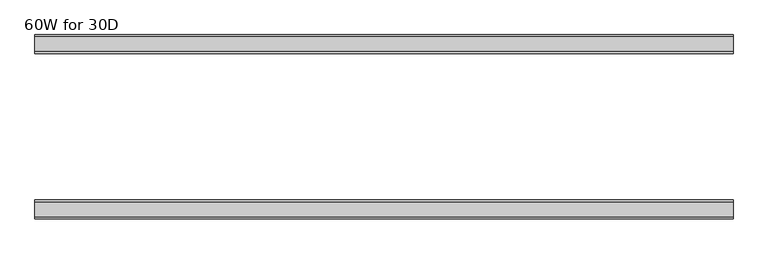
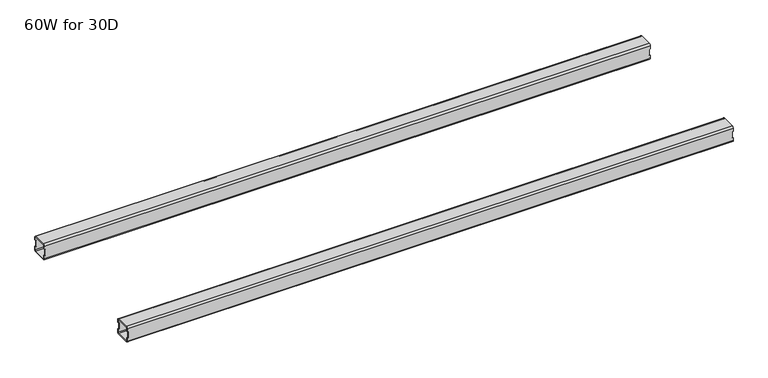
"""IFC4 building model written with IfcOpenShell, lengths in millimetres: furniture geometry, 60W for 30D."""

from ifc_helpers import new_model, si_unit, frame, origin, place, context, project, spatial, polyline, circle_curve, source, transform, mapped, element, save
from ifc_brep_helpers import plane_surface, cylinder_surface, revolved_surface, advanced_brep


def furniture_60w_for_30d_7aef5cbb(model_context):
    return source(origin(), model_context, "Body", "AdvancedBrep", [
        advanced_brep(
        [(1499.0028, -507.012, 653.351), (1499.0028, -509.012, 651.351), (1499.0028, -541.012, 651.351), (1499.0028, -543.012, 653.351), (1499.0028, -543.012, 660.851), (1499.0028, -545.012, 660.851), (1499.0028, -545.012, 653.351), (1499.0028, -541.012, 649.351), (1499.0028, -509.012, 649.351), (1499.0028, -505.012, 653.351), (1499.0028, -505.012, 660.851), (1499.0028, -507.012, 660.851), (1499.0028, -543.012, 684.975), (1499.0028, -541.012, 686.975), (1499.0028, -509.012, 686.975), (1499.0028, -507.012, 684.975), (1499.0028, -507.012, 677.475), (1499.0028, -505.012, 677.475), (1499.0028, -505.012, 684.975), (1499.0028, -509.012, 688.975), (1499.0028, -541.012, 688.975), (1499.0028, -545.012, 684.975), (1499.0028, -545.012, 677.475), (1499.0028, -543.012, 677.475), (22.0, -507.012, 684.975), (22.0, -509.012, 686.975), (22.0, -541.012, 686.975), (22.0, -543.012, 684.975), (22.0, -543.012, 677.475), (22.0, -545.012, 677.475), (22.0, -545.012, 684.975), (22.0, -541.012, 688.975), (22.0, -509.012, 688.975), (22.0, -505.012, 684.975), (22.0, -505.012, 677.475), (22.0, -507.012, 677.475), (22.0, -543.012, 653.351), (22.0, -541.012, 651.351), (22.0, -509.012, 651.351), (22.0, -507.012, 653.351), (22.0, -507.012, 660.851), (22.0, -505.012, 660.851), (22.0, -505.012, 653.351), (22.0, -509.012, 649.351), (22.0, -541.012, 649.351), (22.0, -545.012, 653.351), (22.0, -545.012, 660.851), (22.0, -543.012, 660.851), (23.365, -543.012, 660.851), (24.0, -543.012, 661.486), (24.0, -543.012, 676.84), (23.365, -543.012, 677.475), (1497.6378, -543.012, 677.475), (1497.0028, -543.012, 676.84), (1497.0028, -543.012, 661.486), (1497.6378, -543.012, 660.851), (1497.6378, -507.012, 660.851), (1497.0028, -507.012, 661.486), (1497.0028, -507.012, 676.84), (1497.6378, -507.012, 677.475), (23.365, -507.012, 677.475), (24.0, -507.012, 676.84), (24.0, -507.012, 661.486), (23.365, -507.012, 660.851), (23.365, -545.012, 677.475), (24.0, -545.012, 676.84), (24.0, -545.012, 661.486), (23.365, -545.012, 660.851), (1497.6378, -545.012, 660.851), (1497.0028, -545.012, 661.486), (1497.0028, -545.012, 676.84), (1497.6378, -545.012, 677.475), (1497.6378, -505.012, 677.475), (1497.0028, -505.012, 676.84), (1497.0028, -505.012, 661.486), (1497.6378, -505.012, 660.851), (23.365, -505.012, 660.851), (24.0, -505.012, 661.486), (24.0, -505.012, 676.84), (23.365, -505.012, 677.475)],
        [
            (0, 1, circle_curve(frame((1499.0028, -509.012, 653.351), z_axis=(-1.0, 0.0, 0.0), x_axis=(0.0, 1.0, 0.0)), 2.0)),
            (1, 2),
            (2, 3, circle_curve(frame((1499.0028, -541.012, 653.351), z_axis=(-1.0, 0.0, 0.0), x_axis=(0.0, 1.0, 0.0)), 2.0)),
            (3, 4),
            (4, 5),
            (5, 6),
            (6, 7, circle_curve(frame((1499.0028, -541.012, 653.351), z_axis=(1.0, 0.0, 0.0), x_axis=(0.0, 1.0, 0.0)), 4.0)),
            (7, 8),
            (8, 9, circle_curve(frame((1499.0028, -509.012, 653.351), z_axis=(1.0, 0.0, 0.0), x_axis=(0.0, 1.0, 0.0)), 4.0)),
            (9, 10),
            (10, 11),
            (11, 0),
            (12, 13, circle_curve(frame((1499.0028, -541.012, 684.975), z_axis=(-1.0, 0.0, 0.0), x_axis=(0.0, 1.0, 0.0)), 2.0)),
            (13, 14),
            (14, 15, circle_curve(frame((1499.0028, -509.012, 684.975), z_axis=(-1.0, 0.0, 0.0), x_axis=(0.0, 1.0, 0.0)), 2.0)),
            (15, 16),
            (16, 17),
            (17, 18),
            (18, 19, circle_curve(frame((1499.0028, -509.012, 684.975), z_axis=(1.0, 0.0, 0.0), x_axis=(0.0, 1.0, 0.0)), 4.0)),
            (19, 20),
            (20, 21, circle_curve(frame((1499.0028, -541.012, 684.975), z_axis=(1.0, 0.0, 0.0), x_axis=(0.0, 1.0, 0.0)), 4.0)),
            (21, 22),
            (22, 23),
            (23, 12),
            (24, 25, circle_curve(frame((22.0, -509.012, 684.975), z_axis=(1.0, 0.0, 0.0), x_axis=(0.0, 1.0, 0.0)), 2.0)),
            (25, 26),
            (26, 27, circle_curve(frame((22.0, -541.012, 684.975), z_axis=(1.0, 0.0, 0.0), x_axis=(0.0, 1.0, 0.0)), 2.0)),
            (27, 28),
            (28, 29),
            (29, 30),
            (30, 31, circle_curve(frame((22.0, -541.012, 684.975), z_axis=(-1.0, 0.0, 0.0), x_axis=(0.0, 1.0, 0.0)), 4.0)),
            (31, 32),
            (32, 33, circle_curve(frame((22.0, -509.012, 684.975), z_axis=(-1.0, 0.0, 0.0), x_axis=(0.0, 1.0, 0.0)), 4.0)),
            (33, 34),
            (34, 35),
            (35, 24),
            (36, 37, circle_curve(frame((22.0, -541.012, 653.351), z_axis=(1.0, 0.0, 0.0), x_axis=(0.0, 1.0, 0.0)), 2.0)),
            (37, 38),
            (38, 39, circle_curve(frame((22.0, -509.012, 653.351), z_axis=(1.0, 0.0, 0.0), x_axis=(0.0, 1.0, 0.0)), 2.0)),
            (39, 40),
            (40, 41),
            (41, 42),
            (42, 43, circle_curve(frame((22.0, -509.012, 653.351), z_axis=(-1.0, 0.0, 0.0), x_axis=(0.0, 1.0, 0.0)), 4.0)),
            (43, 44),
            (44, 45, circle_curve(frame((22.0, -541.012, 653.351), z_axis=(-1.0, 0.0, 0.0), x_axis=(0.0, 1.0, 0.0)), 4.0)),
            (45, 46),
            (46, 47),
            (47, 36),
            (0, 39),
            (38, 1),
            (37, 2),
            (36, 3),
            (47, 48),
            (48, 49, circle_curve(frame((23.365, -543.012, 661.486), z_axis=(0.0, -1.0, 0.0), x_axis=(1.0, 0.0, 0.0)), 0.635)),
            (49, 50),
            (50, 51, circle_curve(frame((23.365, -543.012, 676.84), z_axis=(0.0, -1.0, 0.0), x_axis=(1.0, 0.0, 0.0)), 0.635)),
            (51, 28),
            (27, 12),
            (23, 52),
            (52, 53, circle_curve(frame((1497.6378, -543.012, 676.84), z_axis=(0.0, -1.0, 0.0), x_axis=(1.0, 0.0, 0.0)), 0.635)),
            (53, 54),
            (54, 55, circle_curve(frame((1497.6378, -543.012, 661.486), z_axis=(0.0, -1.0, 0.0), x_axis=(1.0, 0.0, 0.0)), 0.635)),
            (55, 4),
            (26, 13),
            (25, 14),
            (24, 15),
            (11, 56),
            (56, 57, circle_curve(frame((1497.6378, -507.012, 661.486), z_axis=(0.0, 1.0, 0.0), x_axis=(1.0, 0.0, 0.0)), 0.635)),
            (57, 58),
            (58, 59, circle_curve(frame((1497.6378, -507.012, 676.84), z_axis=(0.0, 1.0, 0.0), x_axis=(1.0, 0.0, 0.0)), 0.635)),
            (59, 16),
            (35, 60),
            (60, 61, circle_curve(frame((23.365, -507.012, 676.84), z_axis=(0.0, 1.0, 0.0), x_axis=(1.0, 0.0, 0.0)), 0.635)),
            (61, 62),
            (62, 63, circle_curve(frame((23.365, -507.012, 661.486), z_axis=(0.0, 1.0, 0.0), x_axis=(1.0, 0.0, 0.0)), 0.635)),
            (63, 40),
            (18, 33),
            (32, 19),
            (31, 20),
            (30, 21),
            (29, 64),
            (64, 65, circle_curve(frame((23.365, -545.012, 676.84), z_axis=(0.0, 1.0, 0.0), x_axis=(1.0, 0.0, 0.0)), 0.635)),
            (65, 66),
            (66, 67, circle_curve(frame((23.365, -545.012, 661.486), z_axis=(0.0, 1.0, 0.0), x_axis=(1.0, 0.0, 0.0)), 0.635)),
            (67, 46),
            (45, 6),
            (5, 68),
            (68, 69, circle_curve(frame((1497.6378, -545.012, 661.486), z_axis=(0.0, 1.0, 0.0), x_axis=(1.0, 0.0, 0.0)), 0.635)),
            (69, 70),
            (70, 71, circle_curve(frame((1497.6378, -545.012, 676.84), z_axis=(0.0, 1.0, 0.0), x_axis=(1.0, 0.0, 0.0)), 0.635)),
            (71, 22),
            (44, 7),
            (43, 8),
            (42, 9),
            (17, 72),
            (72, 73, circle_curve(frame((1497.6378, -505.012, 676.84), z_axis=(0.0, -1.0, 0.0), x_axis=(1.0, 0.0, 0.0)), 0.635)),
            (73, 74),
            (74, 75, circle_curve(frame((1497.6378, -505.012, 661.486), z_axis=(0.0, -1.0, 0.0), x_axis=(1.0, 0.0, 0.0)), 0.635)),
            (75, 10),
            (41, 76),
            (76, 77, circle_curve(frame((23.365, -505.012, 661.486), z_axis=(0.0, -1.0, 0.0), x_axis=(1.0, 0.0, 0.0)), 0.635)),
            (77, 78),
            (78, 79, circle_curve(frame((23.365, -505.012, 676.84), z_axis=(0.0, -1.0, 0.0), x_axis=(1.0, 0.0, 0.0)), 0.635)),
            (79, 34),
            (71, 52),
            (59, 72),
            (70, 53),
            (58, 73),
            (69, 54),
            (57, 74),
            (68, 55),
            (56, 75),
            (51, 64),
            (79, 60),
            (67, 48),
            (63, 76),
            (66, 49),
            (62, 77),
            (65, 50),
            (61, 78),
        ],
        [
            plane_surface(frame((1499.0028, -507.012, 653.351), z_axis=(1.0, 0.0, 0.0), x_axis=(0.0, 0.0, -1.0))),
            plane_surface(frame((22.0, -507.012, 653.351), z_axis=(-1.0, 0.0, 0.0), x_axis=(0.0, 0.0, 1.0))),
            revolved_surface(polyline([(22.0, -507.012, 653.351), (1499.0028, -507.012, 653.351)]), (22.0, -509.012, 653.351), (-1.0, 0.0, 0.0)),
            plane_surface(frame((1499.0028, -509.012, 651.351), z_axis=(0.0, -5.198608210600595e-12, 1.0), x_axis=(-1.0, 0.0, 0.0))),
            revolved_surface(polyline([(22.0, -539.012, 653.351), (1499.0028, -539.012, 653.351)]), (22.0, -541.012, 653.351), (-1.0, 0.0, 0.0)),
            plane_surface(frame((1499.0028, -543.012, 653.351), z_axis=(0.0, 1.0, 0.0), x_axis=(-1.0, 0.0, 0.0))),
            revolved_surface(polyline([(22.0, -539.012, 684.975), (1499.0028, -539.012, 684.975)]), (22.0, -541.012, 684.975), (-1.0, 0.0, 0.0)),
            plane_surface(frame((1499.0028, -541.012, 686.975), z_axis=(0.0, 0.0, -1.0), x_axis=(-1.0, 0.0, 0.0))),
            revolved_surface(polyline([(22.0, -507.012, 684.975), (1499.0028, -507.012, 684.975)]), (22.0, -509.012, 684.975), (-1.0, 0.0, 0.0)),
            plane_surface(frame((1499.0028, -507.012, 684.975), z_axis=(0.0, -1.0, 0.0), x_axis=(-1.0, 0.0, 0.0))),
            cylinder_surface(frame((0.0, -509.012, 684.975), z_axis=(1.0, 0.0, 0.0), x_axis=(0.0, 1.0, 0.0)), 4.0),
            plane_surface(frame((1499.0028, -509.012, 688.975), z_axis=(0.0, 0.0, 1.0), x_axis=(-1.0, 0.0, 0.0))),
            cylinder_surface(frame((0.0, -541.012, 684.975), z_axis=(1.0, 0.0, 0.0), x_axis=(0.0, 1.0, 0.0)), 4.0),
            plane_surface(frame((1499.0028, -545.012, 684.975), z_axis=(0.0, -1.0, 0.0), x_axis=(-1.0, 0.0, 0.0))),
            cylinder_surface(frame((0.0, -541.012, 653.351), z_axis=(1.0, 0.0, 0.0), x_axis=(0.0, 1.0, 0.0)), 4.0),
            plane_surface(frame((1499.0028, -541.012, 649.351), z_axis=(0.0, 0.0, -1.0), x_axis=(-1.0, 0.0, 0.0))),
            cylinder_surface(frame((0.0, -509.012, 653.351), z_axis=(1.0, 0.0, 0.0), x_axis=(0.0, 1.0, 0.0)), 4.0),
            plane_surface(frame((1499.0028, -505.012, 653.351), z_axis=(0.0, 1.0, -5.2518576384018155e-12), x_axis=(-1.0, 0.0, 0.0))),
            plane_surface(frame((1499.0028, -545.012, 677.475), z_axis=(1.130465684452016e-11, 0.0, -1.0), x_axis=(0.0, 1.0, 0.0))),
            revolved_surface(polyline([(1498.2728, -545.012, 676.84), (1498.2728, -543.012, 676.84)]), (1497.6378, -505.012, 676.84), (0.0, -1.0, 0.0)),
            revolved_surface(polyline([(1498.2728, -507.012, 676.84), (1498.2728, -505.012, 676.84)]), (1497.6378, -505.012, 676.84), (0.0, -1.0, 0.0)),
            plane_surface(frame((1497.0028, -545.012, 676.84), z_axis=(1.0, 0.0, 0.0), x_axis=(0.0, 1.0, 0.0))),
            revolved_surface(polyline([(1498.2728, -545.012, 661.486), (1498.2728, -543.012, 661.486)]), (1497.6378, -505.012, 661.486), (0.0, -1.0, 0.0)),
            revolved_surface(polyline([(1498.2728, -507.012, 661.486), (1498.2728, -505.012, 661.486)]), (1497.6378, -505.012, 661.486), (0.0, -1.0, 0.0)),
            plane_surface(frame((1497.6378, -545.012, 660.851), z_axis=(0.0, 0.0, 1.0), x_axis=(0.0, 1.0, 0.0))),
            plane_surface(frame((23.365, -545.012, 677.475), z_axis=(0.0, 0.0, -1.0), x_axis=(0.0, 1.0, 0.0))),
            plane_surface(frame((22.0, -545.012, 660.851), z_axis=(-1.1502984157403295e-11, 0.0, 1.0), x_axis=(0.0, 1.0, 0.0))),
            revolved_surface(polyline([(24.0, -545.012, 661.486), (24.0, -543.012, 661.486)]), (23.365, -505.012, 661.486), (0.0, -1.0, 0.0)),
            revolved_surface(polyline([(24.0, -507.012, 661.486), (24.0, -505.012, 661.486)]), (23.365, -505.012, 661.486), (0.0, -1.0, 0.0)),
            plane_surface(frame((24.0, -545.012, 661.486), z_axis=(-1.0, 0.0, 0.0), x_axis=(0.0, 1.0, 0.0))),
            revolved_surface(polyline([(24.0, -545.012, 676.84), (24.0, -543.012, 676.84)]), (23.365, -505.012, 676.84), (0.0, -1.0, 0.0)),
            revolved_surface(polyline([(24.0, -507.012, 676.84), (24.0, -505.012, 676.84)]), (23.365, -505.012, 676.84), (0.0, -1.0, 0.0)),
        ],
        [
            (0, [[1, 2, 3, 4, 5, 6, 7, 8, 9, 10, 11, 12]]),
            (0, [[13, 14, 15, 16, 17, 18, 19, 20, 21, 22, 23, 24]]),
            (1, [[25, 26, 27, 28, 29, 30, 31, 32, 33, 34, 35, 36]]),
            (1, [[37, 38, 39, 40, 41, 42, 43, 44, 45, 46, 47, 48]]),
            (2, [[-1, 49, -39, 50]]),
            (3, [[-2, -50, -38, 51]]),
            (4, [[-3, -51, -37, 52]]),
            (5, [[-52, -48, 53, 54, 55, 56, 57, -28, 58, -24, 59, 60, 61, 62, 63, -4]]),
            (6, [[-13, -58, -27, 64]]),
            (7, [[-14, -64, -26, 65]]),
            (8, [[-15, -65, -25, 66]]),
            (9, [[-49, -12, 67, 68, 69, 70, 71, -16, -66, -36, 72, 73, 74, 75, 76, -40]]),
            (10, [[-19, 77, -33, 78]]),
            (11, [[-20, -78, -32, 79]]),
            (12, [[-21, -79, -31, 80]]),
            (13, [[-80, -30, 81, 82, 83, 84, 85, -46, 86, -6, 87, 88, 89, 90, 91, -22]]),
            (14, [[-7, -86, -45, 92]]),
            (15, [[-8, -92, -44, 93]]),
            (16, [[-9, -93, -43, 94]]),
            (17, [[-77, -18, 95, 96, 97, 98, 99, -10, -94, -42, 100, 101, 102, 103, 104, -34]]),
            (18, [[105, -59, -23, -91]]),
            (18, [[106, -95, -17, -71]]),
            (19, [[-105, -90, 107, -60]]),
            (20, [[-106, -70, 108, -96]]),
            (21, [[-107, -89, 109, -61]]),
            (21, [[-108, -69, 110, -97]]),
            (22, [[-109, -88, 111, -62]]),
            (23, [[-110, -68, 112, -98]]),
            (24, [[-111, -87, -5, -63]]),
            (24, [[-112, -67, -11, -99]]),
            (25, [[113, -81, -29, -57]]),
            (25, [[114, -72, -35, -104]]),
            (26, [[115, -53, -47, -85]]),
            (26, [[116, -100, -41, -76]]),
            (27, [[-115, -84, 117, -54]]),
            (28, [[-116, -75, 118, -101]]),
            (29, [[-117, -83, 119, -55]]),
            (29, [[-118, -74, 120, -102]]),
            (30, [[-113, -56, -119, -82]]),
            (31, [[-114, -103, -120, -73]]),
        ],
    ),
        advanced_brep(
        [(1499.0028, -192.9996202, 684.975), (1499.0028, -190.9996202, 686.975), (1499.0028, -159.0003798, 686.975), (1499.0028, -157.0003798, 684.975), (1499.0028, -157.0003798, 677.475), (1499.0028, -155.0003798, 677.475), (1499.0028, -155.0003798, 684.975), (1499.0028, -159.0003798, 688.975), (1499.0028, -190.9996202, 688.975), (1499.0028, -194.9996202, 684.975), (1499.0028, -194.9996202, 677.475), (1499.0028, -192.9996202, 677.475), (1499.0028, -157.0003798, 653.351), (1499.0028, -159.0003798, 651.351), (1499.0028, -190.9996202, 651.351), (1499.0028, -192.9996202, 653.351), (1499.0028, -192.9996202, 660.851), (1499.0028, -194.9996202, 660.851), (1499.0028, -194.9996202, 653.351), (1499.0028, -190.9996202, 649.351), (1499.0028, -159.0003798, 649.351), (1499.0028, -155.0003798, 653.351), (1499.0028, -155.0003798, 660.851), (1499.0028, -157.0003798, 660.851), (22.0, -192.9996202, 653.351), (22.0, -190.9996202, 651.351), (22.0, -159.0003798, 651.351), (22.0, -157.0003798, 653.351), (22.0, -157.0003798, 660.851), (22.0, -155.0003798, 660.851), (22.0, -155.0003798, 653.351), (22.0, -159.0003798, 649.351), (22.0, -190.9996202, 649.351), (22.0, -194.9996202, 653.351), (22.0, -194.9996202, 660.851), (22.0, -192.9996202, 660.851), (22.0, -157.0003798, 684.975), (22.0, -159.0003798, 686.975), (22.0, -190.9996202, 686.975), (22.0, -192.9996202, 684.975), (22.0, -192.9996202, 677.475), (22.0, -194.9996202, 677.475), (22.0, -194.9996202, 684.975), (22.0, -190.9996202, 688.975), (22.0, -159.0003798, 688.975), (22.0, -155.0003798, 684.975), (22.0, -155.0003798, 677.475), (22.0, -157.0003798, 677.475), (1497.6378, -157.0003798, 660.851), (1497.0028, -157.0003798, 661.486), (1497.0028, -157.0003798, 676.84), (1497.6378, -157.0003798, 677.475), (23.365, -157.0003798, 677.475), (24.0, -157.0003798, 676.84), (24.0, -157.0003798, 661.486), (23.365, -157.0003798, 660.851), (23.365, -192.9996202, 660.851), (24.0, -192.9996202, 661.486), (24.0, -192.9996202, 676.84), (23.365, -192.9996202, 677.475), (1497.6378, -192.9996202, 677.475), (1497.0028, -192.9996202, 676.84), (1497.0028, -192.9996202, 661.486), (1497.6378, -192.9996202, 660.851), (1497.6378, -155.0003798, 677.475), (1497.0028, -155.0003798, 676.84), (1497.0028, -155.0003798, 661.486), (1497.6378, -155.0003798, 660.851), (23.365, -155.0003798, 660.851), (24.0, -155.0003798, 661.486), (24.0, -155.0003798, 676.84), (23.365, -155.0003798, 677.475), (23.365, -194.9996202, 677.475), (24.0, -194.9996202, 676.84), (24.0, -194.9996202, 661.486), (23.365, -194.9996202, 660.851), (1497.6378, -194.9996202, 660.851), (1497.0028, -194.9996202, 661.486), (1497.0028, -194.9996202, 676.84), (1497.6378, -194.9996202, 677.475)],
        [
            (0, 1, circle_curve(frame((1499.0028, -190.9996202, 684.975), z_axis=(-1.0, 0.0, 0.0), x_axis=(0.0, -1.0, 0.0)), 2.0)),
            (1, 2),
            (2, 3, circle_curve(frame((1499.0028, -159.0003798, 684.975), z_axis=(-1.0, 0.0, 0.0), x_axis=(0.0, -1.0, 0.0)), 2.0)),
            (3, 4),
            (4, 5),
            (5, 6),
            (6, 7, circle_curve(frame((1499.0028, -159.0003798, 684.975), z_axis=(1.0, 0.0, 0.0), x_axis=(0.0, -1.0, 0.0)), 4.0)),
            (7, 8),
            (8, 9, circle_curve(frame((1499.0028, -190.9996202, 684.975), z_axis=(1.0, 0.0, 0.0), x_axis=(0.0, -1.0, 0.0)), 4.0)),
            (9, 10),
            (10, 11),
            (11, 0),
            (12, 13, circle_curve(frame((1499.0028, -159.0003798, 653.351), z_axis=(-1.0, 0.0, 0.0), x_axis=(0.0, -1.0, 0.0)), 2.0)),
            (13, 14),
            (14, 15, circle_curve(frame((1499.0028, -190.9996202, 653.351), z_axis=(-1.0, 0.0, 0.0), x_axis=(0.0, -1.0, 0.0)), 2.0)),
            (15, 16),
            (16, 17),
            (17, 18),
            (18, 19, circle_curve(frame((1499.0028, -190.9996202, 653.351), z_axis=(1.0, 0.0, 0.0), x_axis=(0.0, -1.0, 0.0)), 4.0)),
            (19, 20),
            (20, 21, circle_curve(frame((1499.0028, -159.0003798, 653.351), z_axis=(1.0, 0.0, 0.0), x_axis=(0.0, -1.0, 0.0)), 4.0)),
            (21, 22),
            (22, 23),
            (23, 12),
            (24, 25, circle_curve(frame((22.0, -190.9996202, 653.351), z_axis=(1.0, 0.0, 0.0), x_axis=(0.0, -1.0, 0.0)), 2.0)),
            (25, 26),
            (26, 27, circle_curve(frame((22.0, -159.0003798, 653.351), z_axis=(1.0, 0.0, 0.0), x_axis=(0.0, -1.0, 0.0)), 2.0)),
            (27, 28),
            (28, 29),
            (29, 30),
            (30, 31, circle_curve(frame((22.0, -159.0003798, 653.351), z_axis=(-1.0, 0.0, 0.0), x_axis=(0.0, -1.0, 0.0)), 4.0)),
            (31, 32),
            (32, 33, circle_curve(frame((22.0, -190.9996202, 653.351), z_axis=(-1.0, 0.0, 0.0), x_axis=(0.0, -1.0, 0.0)), 4.0)),
            (33, 34),
            (34, 35),
            (35, 24),
            (36, 37, circle_curve(frame((22.0, -159.0003798, 684.975), z_axis=(1.0, 0.0, 0.0), x_axis=(0.0, -1.0, 0.0)), 2.0)),
            (37, 38),
            (38, 39, circle_curve(frame((22.0, -190.9996202, 684.975), z_axis=(1.0, 0.0, 0.0), x_axis=(0.0, -1.0, 0.0)), 2.0)),
            (39, 40),
            (40, 41),
            (41, 42),
            (42, 43, circle_curve(frame((22.0, -190.9996202, 684.975), z_axis=(-1.0, 0.0, 0.0), x_axis=(0.0, -1.0, 0.0)), 4.0)),
            (43, 44),
            (44, 45, circle_curve(frame((22.0, -159.0003798, 684.975), z_axis=(-1.0, 0.0, 0.0), x_axis=(0.0, -1.0, 0.0)), 4.0)),
            (45, 46),
            (46, 47),
            (47, 36),
            (14, 25),
            (24, 15),
            (13, 26),
            (12, 27),
            (23, 48),
            (48, 49, circle_curve(frame((1497.6378, -157.0003798, 661.486), z_axis=(0.0, 1.0, 0.0), x_axis=(1.0, 0.0, 0.0)), 0.635)),
            (49, 50),
            (50, 51, circle_curve(frame((1497.6378, -157.0003798, 676.84), z_axis=(0.0, 1.0, 0.0), x_axis=(1.0, 0.0, 0.0)), 0.635)),
            (51, 4),
            (3, 36),
            (47, 52),
            (52, 53, circle_curve(frame((23.365, -157.0003798, 676.84), z_axis=(0.0, 1.0, 0.0), x_axis=(1.0, 0.0, 0.0)), 0.635)),
            (53, 54),
            (54, 55, circle_curve(frame((23.365, -157.0003798, 661.486), z_axis=(0.0, 1.0, 0.0), x_axis=(1.0, 0.0, 0.0)), 0.635)),
            (55, 28),
            (2, 37),
            (1, 38),
            (0, 39),
            (35, 56),
            (56, 57, circle_curve(frame((23.365, -192.9996202, 661.486), z_axis=(0.0, -1.0, 0.0), x_axis=(1.0, 0.0, 0.0)), 0.635)),
            (57, 58),
            (58, 59, circle_curve(frame((23.365, -192.9996202, 676.84), z_axis=(0.0, -1.0, 0.0), x_axis=(1.0, 0.0, 0.0)), 0.635)),
            (59, 40),
            (11, 60),
            (60, 61, circle_curve(frame((1497.6378, -192.9996202, 676.84), z_axis=(0.0, -1.0, 0.0), x_axis=(1.0, 0.0, 0.0)), 0.635)),
            (61, 62),
            (62, 63, circle_curve(frame((1497.6378, -192.9996202, 661.486), z_axis=(0.0, -1.0, 0.0), x_axis=(1.0, 0.0, 0.0)), 0.635)),
            (63, 16),
            (8, 43),
            (42, 9),
            (7, 44),
            (6, 45),
            (5, 64),
            (64, 65, circle_curve(frame((1497.6378, -155.0003798, 676.84), z_axis=(0.0, -1.0, 0.0), x_axis=(1.0, 0.0, 0.0)), 0.635)),
            (65, 66),
            (66, 67, circle_curve(frame((1497.6378, -155.0003798, 661.486), z_axis=(0.0, -1.0, 0.0), x_axis=(1.0, 0.0, 0.0)), 0.635)),
            (67, 22),
            (21, 30),
            (29, 68),
            (68, 69, circle_curve(frame((23.365, -155.0003798, 661.486), z_axis=(0.0, -1.0, 0.0), x_axis=(1.0, 0.0, 0.0)), 0.635)),
            (69, 70),
            (70, 71, circle_curve(frame((23.365, -155.0003798, 676.84), z_axis=(0.0, -1.0, 0.0), x_axis=(1.0, 0.0, 0.0)), 0.635)),
            (71, 46),
            (20, 31),
            (19, 32),
            (18, 33),
            (41, 72),
            (72, 73, circle_curve(frame((23.365, -194.9996202, 676.84), z_axis=(0.0, 1.0, 0.0), x_axis=(1.0, 0.0, 0.0)), 0.635)),
            (73, 74),
            (74, 75, circle_curve(frame((23.365, -194.9996202, 661.486), z_axis=(0.0, 1.0, 0.0), x_axis=(1.0, 0.0, 0.0)), 0.635)),
            (75, 34),
            (17, 76),
            (76, 77, circle_curve(frame((1497.6378, -194.9996202, 661.486), z_axis=(0.0, 1.0, 0.0), x_axis=(1.0, 0.0, 0.0)), 0.635)),
            (77, 78),
            (78, 79, circle_curve(frame((1497.6378, -194.9996202, 676.84), z_axis=(0.0, 1.0, 0.0), x_axis=(1.0, 0.0, 0.0)), 0.635)),
            (79, 10),
            (51, 64),
            (79, 60),
            (50, 65),
            (78, 61),
            (49, 66),
            (77, 62),
            (48, 67),
            (76, 63),
            (71, 52),
            (59, 72),
            (55, 68),
            (75, 56),
            (54, 69),
            (74, 57),
            (53, 70),
            (73, 58),
        ],
        [
            plane_surface(frame((1499.0028, -192.9996202, 684.975), z_axis=(1.0, 0.0, 0.0), x_axis=(0.0, 0.0, 1.0))),
            plane_surface(frame((22.0, -192.9996202, 684.975), z_axis=(-1.0, 0.0, 0.0), x_axis=(0.0, 0.0, -1.0))),
            revolved_surface(polyline([(22.0, -192.9996202, 653.351), (1499.0028, -192.9996202, 653.351)]), (22.0, -190.9996202, 653.351), (-1.0, 0.0, 0.0)),
            plane_surface(frame((1499.0028, -159.0003798, 651.351), z_axis=(0.0, 0.0, 1.0), x_axis=(-1.0, 0.0, 0.0))),
            revolved_surface(polyline([(22.0, -161.0003798, 653.351), (1499.0028, -161.0003798, 653.351)]), (22.0, -159.0003798, 653.351), (-1.0, 0.0, 0.0)),
            plane_surface(frame((1499.0028, -157.0003798, 684.975), z_axis=(0.0, -1.0, 0.0), x_axis=(-1.0, 0.0, 0.0))),
            revolved_surface(polyline([(22.0, -161.0003798, 684.975), (1499.0028, -161.0003798, 684.975)]), (22.0, -159.0003798, 684.975), (-1.0, 0.0, 0.0)),
            plane_surface(frame((1499.0028, -190.9996202, 686.975), z_axis=(0.0, 0.0, -1.0), x_axis=(-1.0, 0.0, 0.0))),
            revolved_surface(polyline([(22.0, -192.9996202, 684.975), (1499.0028, -192.9996202, 684.975)]), (22.0, -190.9996202, 684.975), (-1.0, 0.0, 0.0)),
            plane_surface(frame((1499.0028, -192.9996202, 653.351), z_axis=(0.0, 1.0, 0.0), x_axis=(-1.0, 0.0, 0.0))),
            cylinder_surface(frame((0.0, -190.9996202, 684.975), z_axis=(1.0, 0.0, 0.0), x_axis=(0.0, -1.0, 0.0)), 4.0),
            plane_surface(frame((1499.0028, -159.0003798, 688.975), z_axis=(0.0, 0.0, 1.0), x_axis=(-1.0, 0.0, 0.0))),
            cylinder_surface(frame((0.0, -159.0003798, 684.975), z_axis=(1.0, 0.0, 0.0), x_axis=(0.0, -1.0, 0.0)), 4.0),
            plane_surface(frame((1499.0028, -155.0003798, 653.351), z_axis=(0.0, 1.0, 0.0), x_axis=(-1.0, 0.0, 0.0))),
            cylinder_surface(frame((0.0, -159.0003798, 653.351), z_axis=(1.0, 0.0, 0.0), x_axis=(0.0, -1.0, 0.0)), 4.0),
            plane_surface(frame((1499.0028, -190.9996202, 649.351), z_axis=(0.0, 0.0, -1.0), x_axis=(-1.0, 0.0, 0.0))),
            cylinder_surface(frame((0.0, -190.9996202, 653.351), z_axis=(1.0, 0.0, 0.0), x_axis=(0.0, -1.0, 0.0)), 4.0),
            plane_surface(frame((1499.0028, -194.9996202, 684.975), z_axis=(0.0, -1.0, 0.0), x_axis=(-1.0, 0.0, 0.0))),
            plane_surface(frame((1497.6378, -155.0003798, 677.475), z_axis=(-8.46857626692581e-11, 0.0, -1.0), x_axis=(0.0, -1.0, 0.0))),
            revolved_surface(polyline([(1498.2728, -155.0003798, 676.84), (1498.2728, -157.0003798, 676.84)]), (1497.6378, -194.9996202, 676.84), (0.0, 1.0, 0.0)),
            revolved_surface(polyline([(1498.2728, -192.9996202, 676.84), (1498.2728, -194.9996202, 676.84)]), (1497.6378, -194.9996202, 676.84), (0.0, 1.0, 0.0)),
            plane_surface(frame((1497.0028, -155.0003798, 661.486), z_axis=(1.0, 0.0, 6.100560549954068e-12), x_axis=(0.0, -1.0, 0.0))),
            revolved_surface(polyline([(1498.2728, -155.0003798, 661.486), (1498.2728, -157.0003798, 661.486)]), (1497.6378, -194.9996202, 661.486), (0.0, 1.0, 0.0)),
            revolved_surface(polyline([(1498.2728, -192.9996202, 661.486), (1498.2728, -194.9996202, 661.486)]), (1497.6378, -194.9996202, 661.486), (0.0, 1.0, 0.0)),
            plane_surface(frame((1499.0028, -155.0003798, 660.851), z_axis=(0.0, 0.0, 1.0), x_axis=(0.0, -1.0, 0.0))),
            plane_surface(frame((22.0, -155.0003798, 677.475), z_axis=(0.0, 0.0, -1.0), x_axis=(0.0, -1.0, 0.0))),
            plane_surface(frame((23.365, -155.0003798, 660.851), z_axis=(-2.8559133082148777e-11, 0.0, 1.0), x_axis=(0.0, -1.0, 0.0))),
            revolved_surface(polyline([(24.0, -155.0003798, 661.486), (24.0, -157.0003798, 661.486)]), (23.365, -194.9996202, 661.486), (0.0, 1.0, 0.0)),
            revolved_surface(polyline([(24.0, -192.9996202, 661.486), (24.0, -194.9996202, 661.486)]), (23.365, -194.9996202, 661.486), (0.0, 1.0, 0.0)),
            plane_surface(frame((24.0, -155.0003798, 676.84), z_axis=(-1.0, 0.0, 3.414484621396347e-12), x_axis=(0.0, -1.0, 0.0))),
            revolved_surface(polyline([(24.0, -155.0003798, 676.84), (24.0, -157.0003798, 676.84)]), (23.365, -194.9996202, 676.84), (0.0, 1.0, 0.0)),
            revolved_surface(polyline([(24.0, -192.9996202, 676.84), (24.0, -194.9996202, 676.84)]), (23.365, -194.9996202, 676.84), (0.0, 1.0, 0.0)),
        ],
        [
            (0, [[1, 2, 3, 4, 5, 6, 7, 8, 9, 10, 11, 12]]),
            (0, [[13, 14, 15, 16, 17, 18, 19, 20, 21, 22, 23, 24]]),
            (1, [[25, 26, 27, 28, 29, 30, 31, 32, 33, 34, 35, 36]]),
            (1, [[37, 38, 39, 40, 41, 42, 43, 44, 45, 46, 47, 48]]),
            (2, [[-15, 49, -25, 50]]),
            (3, [[-14, 51, -26, -49]]),
            (4, [[-13, 52, -27, -51]]),
            (5, [[-52, -24, 53, 54, 55, 56, 57, -4, 58, -48, 59, 60, 61, 62, 63, -28]]),
            (6, [[-3, 64, -37, -58]]),
            (7, [[-2, 65, -38, -64]]),
            (8, [[-1, 66, -39, -65]]),
            (9, [[-50, -36, 67, 68, 69, 70, 71, -40, -66, -12, 72, 73, 74, 75, 76, -16]]),
            (10, [[-9, 77, -43, 78]]),
            (11, [[-8, 79, -44, -77]]),
            (12, [[-7, 80, -45, -79]]),
            (13, [[-80, -6, 81, 82, 83, 84, 85, -22, 86, -30, 87, 88, 89, 90, 91, -46]]),
            (14, [[-21, 92, -31, -86]]),
            (15, [[-20, 93, -32, -92]]),
            (16, [[-19, 94, -33, -93]]),
            (17, [[-78, -42, 95, 96, 97, 98, 99, -34, -94, -18, 100, 101, 102, 103, 104, -10]]),
            (18, [[105, -81, -5, -57]]),
            (18, [[106, -72, -11, -104]]),
            (19, [[-105, -56, 107, -82]]),
            (20, [[-106, -103, 108, -73]]),
            (21, [[-107, -55, 109, -83]]),
            (21, [[-108, -102, 110, -74]]),
            (22, [[-109, -54, 111, -84]]),
            (23, [[-110, -101, 112, -75]]),
            (24, [[-111, -53, -23, -85]]),
            (24, [[-112, -100, -17, -76]]),
            (25, [[113, -59, -47, -91]]),
            (25, [[114, -95, -41, -71]]),
            (26, [[115, -87, -29, -63]]),
            (26, [[116, -67, -35, -99]]),
            (27, [[-115, -62, 117, -88]]),
            (28, [[-116, -98, 118, -68]]),
            (29, [[-117, -61, 119, -89]]),
            (29, [[-118, -97, 120, -69]]),
            (30, [[-119, -60, -113, -90]]),
            (31, [[-120, -96, -114, -70]]),
        ],
    ),
    ])


if __name__ == "__main__":
    model = new_model("IFC4")
    model_context = context("Model", 3, world=origin())
    ifc_project = project(units=[si_unit("LENGTHUNIT", "METRE", prefix="MILLI")], contexts=[model_context])
    site = spatial("IfcSite", under=ifc_project)
    building = spatial("IfcBuilding", under=site)
    placement = place(None, origin())
    furniture_60w_for_30d_shape = furniture_60w_for_30d_7aef5cbb(model_context)
    element("IfcFurniture", 1, ObjectType="60W for 30D", at=placement, inside=building, context=model_context, shape_type="MappedRepresentation", body=[
        mapped(furniture_60w_for_30d_shape, transform((0.0, 0.0, 0.0), x_axis=(1.0, 0.0, 0.0), y_axis=(0.0, 1.0, 0.0), z_axis=(0.0, 0.0, 1.0))),
    ])
    save(model, "model.ifc")
